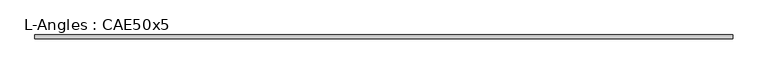
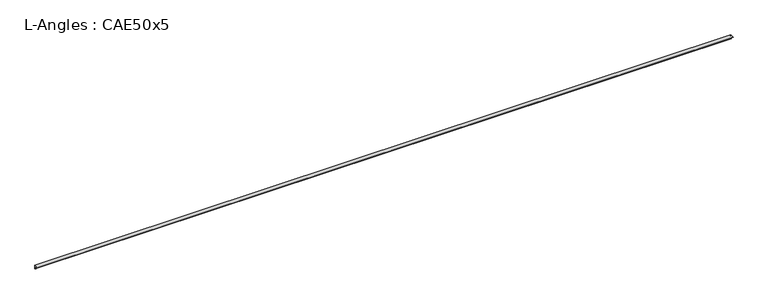
"""IFC4 building model written with IfcOpenShell, lengths in millimetres: beam geometry, L-Angles : CAE50x5."""

from ifc_helpers import new_model, si_unit, point, frame, frame_2d, origin, place, context, project, spatial, polyline, circle_curve, trimmed, segment, composite_curve, outline, extrude, source, transform, mapped, element, save


def l_angles_cae50x5_2dc220bf(model_context):
    return source(origin(), model_context, "Body", "SweptSolid", [
        extrude(outline(composite_curve([segment(polyline([(14.0, 14.0), (14.0, -36.0)]), True, "CONTINUOUS"), segment(trimmed(circle_curve(frame_2d((14.0, -31.0)), 5.0), [point((14.0, -36.0))], [point((9.0, -31.0))], False, "CARTESIAN"), True, "CONTINUOUS"), segment(polyline([(9.0, -31.0), (9.0, 4.0)]), True, "CONTINUOUS"), segment(trimmed(circle_curve(frame_2d((4.0, 4.0)), 5.0), [point((9.0, 4.0))], [point((4.0, 9.0))], True, "CARTESIAN"), True, "CONTINUOUS"), segment(polyline([(4.0, 9.0), (-31.0, 9.0)]), True, "CONTINUOUS"), segment(trimmed(circle_curve(frame_2d((-31.0, 14.0)), 5.0), [point((-31.0, 9.0))], [point((-36.0, 14.0))], False, "CARTESIAN"), True, "CONTINUOUS"), segment(polyline([(-36.0, 14.0), (14.0, 14.0)]), True, "CONTINUOUS")], self_intersect=False)), frame((-4474.0, 0.0, 0.0), z_axis=(1.0, 0.0, 0.0), x_axis=(0.0, 1.0, 0.0)), (0.0, 0.0, 1.0), 9310.0),
    ])


if __name__ == "__main__":
    model = new_model("IFC4")
    model_context = context("Model", 3, world=origin())
    ifc_project = project(units=[si_unit("LENGTHUNIT", "METRE", prefix="MILLI")], contexts=[model_context])
    site = spatial("IfcSite", under=ifc_project)
    building = spatial("IfcBuilding", under=site)
    placement = place(None, origin())
    l_angles_cae50x5_shape = l_angles_cae50x5_2dc220bf(model_context)
    element("IfcBeam", 1, ObjectType="L-Angles : CAE50x5", at=placement, inside=building, context=model_context, shape_type="MappedRepresentation", body=[
        mapped(l_angles_cae50x5_shape, transform((0.0, 0.0, 0.0), x_axis=(1.0, 0.0, 0.0), y_axis=(0.0, 1.0, 0.0), z_axis=(0.0, 0.0, 1.0))),
    ])
    save(model, "model.ifc")
